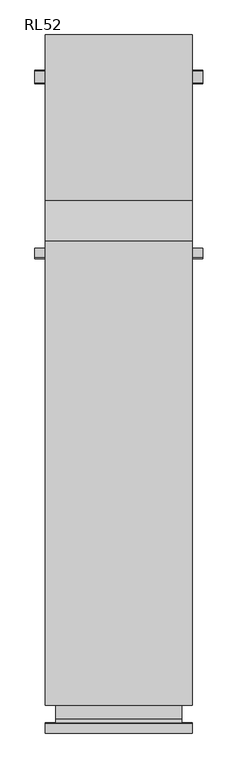
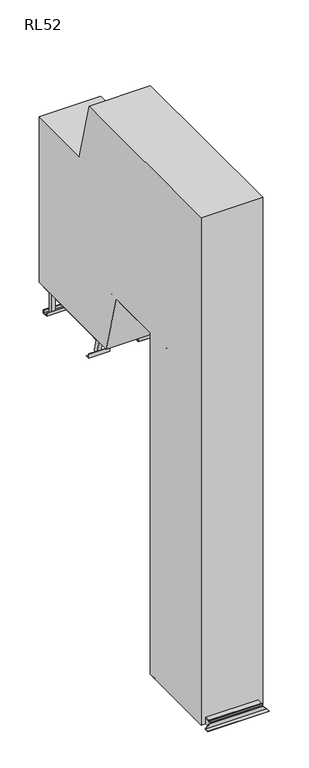
"""IFC4 building model written with IfcOpenShell, lengths in millimetres: proxy geometry, RL52."""

from ifc_helpers import new_model, si_unit, point, frame, frame_2d, origin, origin_with_axes, place, context, project, spatial, polyline, circle_curve, trimmed, segment, composite_curve, outline, extrude, faceted_brep, source, transform, mapped, element, save


def rl52_d2f2689d(model_context):
    return source(origin(), model_context, "Body", "SolidModel", [
        extrude(outline(polyline([(300.5, -890.5), (-300.5, -890.5), (-300.5, 109.5), (300.5, 109.5), (300.5, -890.5)]), holes=[polyline([(262.5, 71.5), (-262.5, 71.5), (-262.5, -371.5), (262.5, -371.5), (262.5, 71.5)]), polyline([(262.5, -852.5), (262.5, -409.5), (-262.5, -409.5), (-262.5, -852.5), (262.5, -852.5)])]), origin_with_axes(), (0.0, 0.0, 1.0), 58.0),
        faceted_brep([(-350.5, 112.5, 3.0), (-350.5, 109.5, 3.0), (-303.5, 109.5, 50.0), (-303.5, 112.5, 50.0), (350.5, 109.5, 3.0), (350.5, 112.5, 3.0), (303.5, 112.5, 50.0), (303.5, 109.5, 50.0), (350.5, 159.5, 0.0), (350.5, 159.5, 3.0), (350.5, 109.5, 0.0), (-350.5, 159.5, 0.0), (-350.5, 109.5, 0.0), (-350.5, 159.5, 3.0)], [[[0, 1, 2, 3]], [[4, 5, 6, 7]], [[8, 9, 5, 4, 10]], [[11, 12, 1, 0, 13]], [[9, 8, 11, 13]], [[5, 9, 13, 0]], [[5, 0, 3, 6]], [[6, 3, 2, 7]], [[12, 10, 4, 7, 2, 1]], [[8, 10, 12, 11]]]),
        faceted_brep([(-350.5, -890.5, 3.0), (-350.5, -893.5, 3.0), (-303.5, -893.5, 50.0), (-303.5, -890.5, 50.0), (350.5, -893.5, 3.0), (350.5, -890.5, 3.0), (303.5, -890.5, 50.0), (303.5, -893.5, 50.0), (350.5, -940.5, 0.0), (350.5, -890.5, 0.0), (350.5, -940.5, 3.0), (-350.5, -940.5, 0.0), (-350.5, -940.5, 3.0), (-350.5, -890.5, 0.0)], [[[0, 1, 2, 3]], [[4, 5, 6, 7]], [[8, 9, 5, 4, 10]], [[11, 12, 1, 0, 13]], [[9, 8, 11, 13]], [[9, 13, 0, 3, 6, 5]], [[6, 3, 2, 7]], [[1, 4, 7, 2]], [[10, 4, 1, 12]], [[8, 10, 12, 11]]]),
        extrude(outline(polyline([(300.5, 91.5), (300.5, -872.5), (-300.5, -872.5), (-300.5, 91.5), (300.5, 91.5)])), frame((0.0, 0.0, 58.0), z_axis=(0.0, 0.0, 1.0), x_axis=(1.0, 0.0, 0.0)), (0.0, 0.0, 1.0), 18.5),
        extrude(outline(polyline([(300.5, -872.5), (300.5, -890.5), (-300.5, -890.5), (-300.5, -872.5), (300.5, -872.5)])), frame((0.0, 0.0, 58.0), z_axis=(0.0, 0.0, 1.0), x_axis=(1.0, 0.0, 0.0)), (0.0, 0.0, 1.0), 18.5),
        extrude(outline(polyline([(300.5, 109.5), (300.5, 91.5), (-300.5, 91.5), (-300.5, 109.5), (300.5, 109.5)])), frame((0.0, 0.0, 58.0), z_axis=(0.0, 0.0, 1.0), x_axis=(1.0, 0.0, 0.0)), (0.0, 0.0, 1.0), 18.5),
        extrude(outline(polyline([(250.0, 1304.8694762), (250.0, 1286.8694762), (-250.0, 1286.8694762), (-250.0, 1304.8694762), (250.0, 1304.8694762)])), frame((0.0, 0.0, 3381.5), z_axis=(0.0, 0.0, 1.0), x_axis=(1.0, 0.0, 0.0)), (0.0, 0.0, 1.0), 18.5),
        extrude(outline(polyline([(300.5, 1491.1194762), (300.5, 1472.6194762), (-300.5, 1472.6194762), (-300.5, 1491.1194762), (300.5, 1491.1194762)])), frame((0.0, 0.0, 3381.5), z_axis=(0.0, 0.0, 1.0), x_axis=(1.0, 0.0, 0.0)), (0.0, 0.0, 1.0), 18.5),
        extrude(outline(polyline([(250.0, 1472.6194762), (250.0, 1304.8694762), (-250.0, 1304.8694762), (-250.0, 1472.6194762), (250.0, 1472.6194762)])), frame((0.0, 0.0, 3381.5), z_axis=(0.0, 0.0, 1.0), x_axis=(1.0, 0.0, 0.0)), (0.0, 0.0, 1.0), 18.5),
        extrude(outline(polyline([(-262.5, 1360.0196058), (-300.5, 1360.0196058), (-300.5, 2391.8694762), (-262.5, 2391.8694762), (-262.5, 1360.0196058)])), frame((0.0, 0.0, 3323.5), z_axis=(0.0, 0.0, 1.0), x_axis=(1.0, 0.0, 0.0)), (0.0, 0.0, 1.0), 58.0),
        extrude(outline(polyline([(300.5, 1360.0196058), (262.5, 1360.0196058), (262.5, 2391.8694762), (300.5, 2391.8694762), (300.5, 1360.0196058)])), frame((0.0, 0.0, 3323.5), z_axis=(0.0, 0.0, 1.0), x_axis=(1.0, 0.0, 0.0)), (0.0, 0.0, 1.0), 58.0),
        extrude(outline(polyline([(338.5, 2220.8694762), (338.5, 2162.8694762), (300.5, 2162.8694762), (300.5, 2220.8694762), (338.5, 2220.8694762)])), frame((0.0, 0.0, 3153.0), z_axis=(0.0, 0.0, 1.0), x_axis=(1.0, 0.0, 0.0)), (0.0, 0.0, 1.0), 240.0),
        extrude(outline(polyline([(-300.5, 2220.8694762), (-300.5, 2162.8694762), (-338.5, 2162.8694762), (-338.5, 2220.8694762), (-300.5, 2220.8694762)])), frame((0.0, 0.0, 3153.0), z_axis=(0.0, 0.0, 1.0), x_axis=(1.0, 0.0, 0.0)), (0.0, 0.0, 1.0), 240.0),
        extrude(outline(polyline([(300.5, 2391.8694762), (300.5, 2373.3694762), (-300.5, 2373.3694762), (-300.5, 2391.8694762), (300.5, 2391.8694762)])), frame((0.0, 0.0, 3381.5), z_axis=(0.0, 0.0, 1.0), x_axis=(1.0, 0.0, 0.0)), (0.0, 0.0, 1.0), 18.5),
        extrude(outline(polyline([(2221.3694762, 3188.0), (2224.3694762, 3188.0), (2224.3694762, 3150.0), (2159.3694762, 3150.0), (2159.3694762, 3188.0), (2162.3694762, 3188.0), (2162.3694762, 3153.0), (2221.3694762, 3153.0), (2221.3694762, 3188.0)])), frame((-400.5, 0.0, 0.0), z_axis=(1.0, 0.0, 0.0), x_axis=(0.0, 1.0, 0.0)), (0.0, 0.0, 1.0), 801.0),
        extrude(outline(polyline([(300.5, 2372.8694762), (300.5, 1491.1194762), (-300.5, 1491.1194762), (-300.5, 2372.8694762), (300.5, 2372.8694762)])), frame((0.0, 0.0, 3381.5), z_axis=(0.0, 0.0, 1.0), x_axis=(1.0, 0.0, 0.0)), (0.0, 0.0, 1.0), 18.5),
        extrude(outline(composite_curve([segment(trimmed(circle_curve(frame_2d((1389.0731956, 3333.5)), 6.0), [point((1395.0731956, 3333.5))], [point((1389.0731956, 3327.5))], False, "CARTESIAN"), True, "CONTINUOUS"), segment(polyline([(1389.0731956, 3327.5), (1340.0196058, 3327.5)]), True, "CONTINUOUS"), segment(trimmed(circle_curve(frame_2d((1340.0196058, 3352.5)), 25.0), [point((1340.0196058, 3327.5))], [point((1340.0196058, 3377.5))], False, "CARTESIAN"), True, "CONTINUOUS"), segment(polyline([(1340.0196058, 3377.5), (1389.0731956, 3377.5)]), True, "CONTINUOUS"), segment(trimmed(circle_curve(frame_2d((1389.0731956, 3371.5)), 6.0), [point((1389.0731956, 3377.5))], [point((1395.0731956, 3371.5))], False, "CARTESIAN"), True, "CONTINUOUS"), segment(polyline([(1395.0731956, 3371.5), (1395.0731956, 3333.5)]), True, "CONTINUOUS")], self_intersect=False)), frame((-306.5, 0.0, 0.0), z_axis=(1.0, 0.0, 0.0), x_axis=(0.0, 1.0, 0.0)), (0.0, 0.0, 1.0), 6.0),
        extrude(outline(composite_curve([segment(trimmed(circle_curve(frame_2d((1389.0731956, 3333.5)), 6.0), [point((1395.0731956, 3333.5))], [point((1389.0731956, 3327.5))], False, "CARTESIAN"), True, "CONTINUOUS"), segment(polyline([(1389.0731956, 3327.5), (1340.0196058, 3327.5)]), True, "CONTINUOUS"), segment(trimmed(circle_curve(frame_2d((1340.0196058, 3352.5)), 25.0), [point((1340.0196058, 3327.5))], [point((1340.0196058, 3377.5))], False, "CARTESIAN"), True, "CONTINUOUS"), segment(polyline([(1340.0196058, 3377.5), (1389.0731956, 3377.5)]), True, "CONTINUOUS"), segment(trimmed(circle_curve(frame_2d((1389.0731956, 3371.5)), 6.0), [point((1389.0731956, 3377.5))], [point((1395.0731956, 3371.5))], False, "CARTESIAN"), True, "CONTINUOUS"), segment(polyline([(1395.0731956, 3371.5), (1395.0731956, 3333.5)]), True, "CONTINUOUS")], self_intersect=False)), frame((300.5, 0.0, 0.0), z_axis=(1.0, 0.0, 0.0), x_axis=(0.0, 1.0, 0.0)), (0.0, 0.0, 1.0), 6.0),
        extrude(outline(polyline([(262.5, 1534.8694762), (262.5, 1476.8694762), (-262.5, 1476.8694762), (-262.5, 1534.8694762), (262.5, 1534.8694762)])), frame((0.0, 0.0, 3343.5), z_axis=(0.0, 0.0, 1.0), x_axis=(1.0, 0.0, 0.0)), (0.0, 0.0, 1.0), 38.0),
        extrude(outline(polyline([(262.5, 1958.8694762), (262.5, 1900.8694762), (-262.5, 1900.8694762), (-262.5, 1958.8694762), (262.5, 1958.8694762)])), frame((0.0, 0.0, 3343.5), z_axis=(0.0, 0.0, 1.0), x_axis=(1.0, 0.0, 0.0)), (0.0, 0.0, 1.0), 38.0),
        extrude(outline(polyline([(262.5, 2381.8694762), (262.5, 2323.8694762), (-262.5, 2323.8694762), (-262.5, 2381.8694762), (262.5, 2381.8694762)])), frame((0.0, 0.0, 3343.5), z_axis=(0.0, 0.0, 1.0), x_axis=(1.0, 0.0, 0.0)), (0.0, 0.0, 1.0), 38.0),
        extrude(outline(composite_curve([segment(polyline([(1212.725111, 3828.6438625), (1169.2584488, 3816.9970054), (1164.8585251, 3833.4177445)]), True, "CONTINUOUS"), segment(trimmed(circle_curve(frame_2d((1189.9490378, 3826.7120005)), 25.9711538), [point((1164.8585251, 3833.4177445))], [point((1208.3251872, 3845.0646015))], False, "CARTESIAN"), True, "CONTINUOUS"), segment(polyline([(1208.3251872, 3845.0646015), (1212.725111, 3828.6438625)]), True, "CONTINUOUS")], self_intersect=False)), frame((-262.5, 0.0, 0.0), z_axis=(1.0, 0.0, 0.0), x_axis=(0.0, 1.0, 0.0)), (0.0, 0.0, 1.0), 525.0),
        extrude(outline(composite_curve([segment(polyline([(1285.9293103, 3555.4420712), (1242.4626482, 3543.7952142), (1238.0627244, 3560.2159532)]), True, "CONTINUOUS"), segment(trimmed(circle_curve(frame_2d((1263.1532371, 3553.5102093)), 25.9711538), [point((1238.0627244, 3560.2159532))], [point((1281.5293866, 3571.8628103))], False, "CARTESIAN"), True, "CONTINUOUS"), segment(polyline([(1281.5293866, 3571.8628103), (1285.9293103, 3555.4420712)]), True, "CONTINUOUS")], self_intersect=False)), frame((-262.5, 0.0, 0.0), z_axis=(1.0, 0.0, 0.0), x_axis=(0.0, 1.0, 0.0)), (0.0, 0.0, 1.0), 525.0),
        extrude(outline(composite_curve([segment(polyline([(1139.5209117, 4101.8456537), (1096.0542495, 4090.1987967), (1091.6543257, 4106.6195357)]), True, "CONTINUOUS"), segment(trimmed(circle_curve(frame_2d((1116.7448385, 4099.9137918)), 25.9711538), [point((1091.6543257, 4106.6195357))], [point((1135.1209879, 4118.2663928))], False, "CARTESIAN"), True, "CONTINUOUS"), segment(polyline([(1135.1209879, 4118.2663928), (1139.5209117, 4101.8456537)]), True, "CONTINUOUS")], self_intersect=False)), frame((-262.5, 0.0, 0.0), z_axis=(1.0, 0.0, 0.0), x_axis=(0.0, 1.0, 0.0)), (0.0, 0.0, 1.0), 525.0),
        extrude(outline(composite_curve([segment(polyline([(1359.1335097, 3282.24028), (1315.6668475, 3270.5934229), (1311.2669237, 3287.014162)]), True, "CONTINUOUS"), segment(trimmed(circle_curve(frame_2d((1336.3574365, 3280.308418)), 25.9711538), [point((1311.2669237, 3287.014162))], [point((1354.7335859, 3298.661019))], False, "CARTESIAN"), True, "CONTINUOUS"), segment(polyline([(1354.7335859, 3298.661019), (1359.1335097, 3282.24028)]), True, "CONTINUOUS")], self_intersect=False)), frame((-262.5, 0.0, 0.0), z_axis=(1.0, 0.0, 0.0), x_axis=(0.0, 1.0, 0.0)), (0.0, 0.0, 1.0), 525.0),
        extrude(outline(polyline([(-38.0, 0.0), (0.0, 0.0), (0.0, -58.0000001), (-38.0, -58.0000001), (-38.0, 0.0)])), frame((-262.5, 1396.470313, 3168.0115046), z_axis=(0.0, -0.258819045102523, 0.9659258262890678), x_axis=(1.0, 0.0, 0.0)), (0.0, 0.0, 1.0), 2048.5179208),
        extrude(outline(polyline([(-38.0, 0.0), (0.0, 0.0), (0.0, -58.0000001), (-38.0, -58.0000001), (-38.0, 0.0)])), frame((300.5, 1396.470313, 3168.0115046), z_axis=(0.0, -0.258819045102523, 0.9659258262890678), x_axis=(1.0, 0.0, 0.0)), (0.0, 0.0, 1.0), 2048.5179208),
        extrude(outline(composite_curve([segment(polyline([(1044.4694194, 4058.8687928), (1044.4694194, 4096.8687928)]), True, "CONTINUOUS"), segment(trimmed(circle_curve(frame_2d((1050.4694194, 4096.8687928)), 6.0), [point((1044.4694194, 4096.8687928))], [point((1050.4694194, 4102.8687928))], False, "CARTESIAN"), True, "CONTINUOUS"), segment(polyline([(1050.4694194, 4102.8687928), (1099.5230092, 4102.8687928)]), True, "CONTINUOUS"), segment(trimmed(circle_curve(frame_2d((1099.5230092, 4077.8687928)), 25.0), [point((1099.5230092, 4102.8687928))], [point((1099.5230092, 4052.8687928))], False, "CARTESIAN"), True, "CONTINUOUS"), segment(polyline([(1099.5230092, 4052.8687928), (1050.4694194, 4052.8687928)]), True, "CONTINUOUS"), segment(trimmed(circle_curve(frame_2d((1050.4694194, 4058.8687928)), 6.0), [point((1050.4694194, 4052.8687928))], [point((1044.4694194, 4058.8687928))], False, "CARTESIAN"), True, "CONTINUOUS")], self_intersect=False)), frame((-306.0, 0.0, 0.0), z_axis=(1.0, 0.0, 0.0), x_axis=(0.0, 1.0, 0.0)), (0.0, 0.0, 1.0), 6.0),
        extrude(outline(composite_curve([segment(trimmed(circle_curve(frame_2d((1050.4694194, 4096.8687928)), 6.0), [point((1044.4694194, 4096.8687928))], [point((1050.4694194, 4102.8687928))], False, "CARTESIAN"), True, "CONTINUOUS"), segment(polyline([(1050.4694194, 4102.8687928), (1099.5230092, 4102.8687928)]), True, "CONTINUOUS"), segment(trimmed(circle_curve(frame_2d((1099.5230092, 4077.8687928)), 25.0), [point((1099.5230092, 4102.8687928))], [point((1099.5230092, 4052.8687928))], False, "CARTESIAN"), True, "CONTINUOUS"), segment(polyline([(1099.5230092, 4052.8687928), (1050.4694194, 4052.8687928)]), True, "CONTINUOUS"), segment(trimmed(circle_curve(frame_2d((1050.4694194, 4058.8687928)), 6.0), [point((1050.4694194, 4052.8687928))], [point((1044.4694194, 4058.8687928))], False, "CARTESIAN"), True, "CONTINUOUS"), segment(polyline([(1044.4694194, 4058.8687928), (1044.4694194, 4096.8687928)]), True, "CONTINUOUS")], self_intersect=False)), frame((300.0, 0.0, 0.0), z_axis=(1.0, 0.0, 0.0), x_axis=(0.0, 1.0, 0.0)), (0.0, 0.0, 1.0), 6.0),
        extrude(outline(composite_curve([segment(trimmed(circle_curve(frame_2d((-20.0, 4077.8687928)), 25.0), [point((-20.0, 4052.8687928))], [point((-20.0, 4102.8687928))], False, "CARTESIAN"), True, "CONTINUOUS"), segment(polyline([(-20.0, 4102.8687928), (29.0535898, 4102.8687928)]), True, "CONTINUOUS"), segment(trimmed(circle_curve(frame_2d((29.0535898, 4096.8687928)), 6.0), [point((29.0535898, 4102.8687928))], [point((35.0535898, 4096.8687928))], False, "CARTESIAN"), True, "CONTINUOUS"), segment(polyline([(35.0535898, 4096.8687928), (35.0535898, 4058.8687928)]), True, "CONTINUOUS"), segment(trimmed(circle_curve(frame_2d((29.0535898, 4058.8687928)), 6.0), [point((35.0535898, 4058.8687928))], [point((29.0535898, 4052.8687928))], False, "CARTESIAN"), True, "CONTINUOUS"), segment(polyline([(29.0535898, 4052.8687928), (-20.0, 4052.8687928)]), True, "CONTINUOUS")], self_intersect=False)), frame((-306.0, 0.0, 0.0), z_axis=(1.0, 0.0, 0.0), x_axis=(0.0, 1.0, 0.0)), (0.0, 0.0, 1.0), 6.0),
        extrude(outline(composite_curve([segment(trimmed(circle_curve(frame_2d((-20.0, 4077.8687928)), 25.0), [point((-20.0, 4052.8687928))], [point((-20.0, 4102.8687928))], False, "CARTESIAN"), True, "CONTINUOUS"), segment(polyline([(-20.0, 4102.8687928), (29.0535898, 4102.8687928)]), True, "CONTINUOUS"), segment(trimmed(circle_curve(frame_2d((29.0535898, 4096.8687928)), 6.0), [point((29.0535898, 4102.8687928))], [point((35.0535898, 4096.8687928))], False, "CARTESIAN"), True, "CONTINUOUS"), segment(polyline([(35.0535898, 4096.8687928), (35.0535898, 4058.8687928)]), True, "CONTINUOUS"), segment(trimmed(circle_curve(frame_2d((29.0535898, 4058.8687928)), 6.0), [point((35.0535898, 4058.8687928))], [point((29.0535898, 4052.8687928))], False, "CARTESIAN"), True, "CONTINUOUS"), segment(polyline([(29.0535898, 4052.8687928), (-20.0, 4052.8687928)]), True, "CONTINUOUS")], self_intersect=False)), frame((300.0, 0.0, 0.0), z_axis=(1.0, 0.0, 0.0), x_axis=(0.0, 1.0, 0.0)), (0.0, 0.0, 1.0), 6.0),
        extrude(outline(polyline([(-300.0, 30.0), (-300.0, 48.4), (300.0, 48.4), (300.0, 30.0), (-300.0, 30.0)])), frame((0.0, 0.0, 4106.5), z_axis=(0.0, 0.0, 1.0), x_axis=(1.0, 0.0, 0.0)), (0.0, 0.0, 1.0), 18.5),
        extrude(outline(polyline([(-300.0, 986.1290032), (-300.0, 1004.5290032), (300.0, 1004.5290032), (300.0, 986.1290032), (-300.0, 986.1290032)])), frame((0.0, 0.0, 4106.5), z_axis=(0.0, 0.0, 1.0), x_axis=(1.0, 0.0, 0.0)), (0.0, 0.0, 1.0), 18.5),
        extrude(outline(polyline([(1374.853003, 3153.0), (1374.853003, 3150.0), (1324.853003, 3150.0), (1324.853003, 3200.0), (1327.853003, 3200.0), (1327.853003, 3153.0), (1374.853003, 3153.0)])), frame((-400.5, 0.0, 0.0), z_axis=(1.0, 0.0, 0.0), x_axis=(0.0, 1.0, 0.0)), (0.0, 0.0, 1.0), 238.0),
        extrude(outline(polyline([(1374.853003, 3153.0), (1374.853003, 3150.0), (1324.853003, 3150.0), (1324.853003, 3200.0), (1327.853003, 3200.0), (1327.853003, 3153.0), (1374.853003, 3153.0)])), frame((162.5, 0.0, 0.0), z_axis=(1.0, 0.0, 0.0), x_axis=(0.0, 1.0, 0.0)), (0.0, 0.0, 1.0), 238.0),
        extrude(outline(polyline([(300.0, 0.0), (262.0, 0.0), (262.0, 947.9025997), (300.0, 947.9025997), (300.0, 0.0)])), frame((0.0, 0.0, 4560.9942094), z_axis=(0.0, 0.0, 1.0), x_axis=(1.0, 0.0, 0.0)), (0.0, 0.0, 1.0), 57.0),
        extrude(outline(polyline([(300.0, 0.0), (262.0, 0.0), (262.0, 812.0508076), (300.0, 812.0508076), (300.0, 0.0)])), frame((0.0, 0.0, 5068.0), z_axis=(0.0, 0.0, 1.0), x_axis=(1.0, 0.0, 0.0)), (0.0, 0.0, 1.0), 57.0),
        extrude(outline(polyline([(-262.0, 0.0), (-300.0, 0.0), (-300.0, 812.0508076), (-262.0, 812.0508076), (-262.0, 0.0)])), frame((0.0, 0.0, 5068.0), z_axis=(0.0, 0.0, 1.0), x_axis=(1.0, 0.0, 0.0)), (0.0, 0.0, 1.0), 57.0),
        extrude(outline(polyline([(-262.0, 0.0), (-300.0, 0.0), (-300.0, 947.9025997), (-262.0, 947.9025997), (-262.0, 0.0)])), frame((0.0, 0.0, 4560.9942094), z_axis=(0.0, 0.0, 1.0), x_axis=(1.0, 0.0, 0.0)), (0.0, 0.0, 1.0), 57.0),
        extrude(outline(polyline([(-300.0, 986.1290032), (300.0, 986.1290032), (300.0, 48.4), (-300.0, 48.4), (-300.0, 986.1290032)])), frame((0.0, 0.0, 4106.5), z_axis=(0.0, 0.0, 1.0), x_axis=(1.0, 0.0, 0.0)), (0.0, 0.0, 1.0), 18.5),
        extrude(outline(polyline([(262.0, 1079.5230092), (300.0, 1079.5230092), (300.0, 0.0), (-300.0, 0.0), (-300.0, 1079.5230092), (-262.0, 1079.5230092), (-262.0, 38.0), (262.0, 38.0), (262.0, 1079.5230092)])), frame((0.0, 0.0, 4049.2375855), z_axis=(0.0, 0.0, 1.0), x_axis=(1.0, 0.0, 0.0)), (0.0, 0.0, 1.0), 57.2624145),
        extrude(outline(polyline([(-262.0, 933.7615046), (-262.0, 991.7615046), (262.0, 991.7615046), (262.0, 933.7615046), (-262.0, 933.7615046)])), frame((0.0, 0.0, 4068.5), z_axis=(0.0, 0.0, 1.0), x_axis=(1.0, 0.0, 0.0)), (0.0, 0.0, 1.0), 38.0),
        extrude(outline(polyline([(-262.0, 510.7615046), (-262.0, 568.7615046), (262.0, 568.7615046), (262.0, 510.7615046), (-262.0, 510.7615046)])), frame((0.0, 0.0, 4068.5), z_axis=(0.0, 0.0, 1.0), x_axis=(1.0, 0.0, 0.0)), (0.0, 0.0, 1.0), 38.0),
        extrude(outline(polyline([(0.0, 2405.0), (0.0, 2347.0), (-5.0, 2347.0), (-5.0, 2400.0), (-91.0, 2400.0), (-91.0, 2405.0), (0.0, 2405.0)])), frame((-262.5, 0.0, 0.0), z_axis=(1.0, 0.0, 0.0), x_axis=(0.0, 1.0, 0.0)), (0.0, 0.0, 1.0), 525.0),
        extrude(outline(polyline([(262.5, -93.0), (-262.5, -93.0), (-262.5, -91.0), (262.5, -91.0), (262.5, -93.0)])), frame((0.0, 0.0, 110.0), z_axis=(0.0, 0.0, 1.0), x_axis=(1.0, 0.0, 0.0)), (0.0, 0.0, 1.0), 2295.0),
        extrude(outline(polyline([(262.5, -91.0), (204.5, -91.0), (204.5, -53.0), (262.5, -53.0), (262.5, -91.0)])), frame((0.0, 0.0, 110.0), z_axis=(0.0, 0.0, 1.0), x_axis=(1.0, 0.0, 0.0)), (0.0, 0.0, 1.0), 2285.0),
        extrude(outline(polyline([(-204.5, -91.0), (-262.5, -91.0), (-262.5, -53.0), (-204.5, -53.0), (-204.5, -91.0)])), frame((0.0, 0.0, 110.0), z_axis=(0.0, 0.0, 1.0), x_axis=(1.0, 0.0, 0.0)), (0.0, 0.0, 1.0), 2285.0),
        extrude(outline(composite_curve([segment(polyline([(-53.0, 3795.3461538), (-53.0, 3812.3461538)]), True, "CONTINUOUS"), segment(trimmed(circle_curve(frame_2d((-30.5, 3799.375)), 25.9711538), [point((-53.0, 3812.3461538))], [point((-8.0, 3812.3461538))], False, "CARTESIAN"), True, "CONTINUOUS"), segment(polyline([(-8.0, 3812.3461538), (-8.0, 3795.3461538), (-53.0, 3795.3461538)]), True, "CONTINUOUS")], self_intersect=False)), frame((-262.0, 0.0, 0.0), z_axis=(1.0, 0.0, 0.0), x_axis=(0.0, 1.0, 0.0)), (0.0, 0.0, 1.0), 524.0),
        extrude(outline(composite_curve([segment(polyline([(-53.0, 3495.6923077), (-53.0, 3512.6923077)]), True, "CONTINUOUS"), segment(trimmed(circle_curve(frame_2d((-30.5, 3499.7211538)), 25.9711538), [point((-53.0, 3512.6923077))], [point((-8.0, 3512.6923077))], False, "CARTESIAN"), True, "CONTINUOUS"), segment(polyline([(-8.0, 3512.6923077), (-8.0, 3495.6923077), (-53.0, 3495.6923077)]), True, "CONTINUOUS")], self_intersect=False)), frame((-262.0, 0.0, 0.0), z_axis=(1.0, 0.0, 0.0), x_axis=(0.0, 1.0, 0.0)), (0.0, 0.0, 1.0), 524.0),
        extrude(outline(composite_curve([segment(polyline([(-53.0, 3196.0384615), (-53.0, 3213.0384615)]), True, "CONTINUOUS"), segment(trimmed(circle_curve(frame_2d((-30.5, 3200.0673077)), 25.9711538), [point((-53.0, 3213.0384615))], [point((-8.0, 3213.0384615))], False, "CARTESIAN"), True, "CONTINUOUS"), segment(polyline([(-8.0, 3213.0384615), (-8.0, 3196.0384615), (-53.0, 3196.0384615)]), True, "CONTINUOUS")], self_intersect=False)), frame((-262.0, 0.0, 0.0), z_axis=(1.0, 0.0, 0.0), x_axis=(0.0, 1.0, 0.0)), (0.0, 0.0, 1.0), 524.0),
        extrude(outline(composite_curve([segment(polyline([(-53.0, 2896.3846154), (-53.0, 2913.3846154)]), True, "CONTINUOUS"), segment(trimmed(circle_curve(frame_2d((-30.5, 2900.4134615)), 25.9711538), [point((-53.0, 2913.3846154))], [point((-8.0, 2913.3846154))], False, "CARTESIAN"), True, "CONTINUOUS"), segment(polyline([(-8.0, 2913.3846154), (-8.0, 2896.3846154), (-53.0, 2896.3846154)]), True, "CONTINUOUS")], self_intersect=False)), frame((-262.0, 0.0, 0.0), z_axis=(1.0, 0.0, 0.0), x_axis=(0.0, 1.0, 0.0)), (0.0, 0.0, 1.0), 524.0),
        extrude(outline(composite_curve([segment(polyline([(-53.0, 2596.7307692), (-53.0, 2613.7307692)]), True, "CONTINUOUS"), segment(trimmed(circle_curve(frame_2d((-30.5, 2600.7596154)), 25.9711538), [point((-53.0, 2613.7307692))], [point((-8.0, 2613.7307692))], False, "CARTESIAN"), True, "CONTINUOUS"), segment(polyline([(-8.0, 2613.7307692), (-8.0, 2596.7307692), (-53.0, 2596.7307692)]), True, "CONTINUOUS")], self_intersect=False)), frame((-262.0, 0.0, 0.0), z_axis=(1.0, 0.0, 0.0), x_axis=(0.0, 1.0, 0.0)), (0.0, 0.0, 1.0), 524.0),
        extrude(outline(composite_curve([segment(polyline([(-53.0, 2297.0769231), (-53.0, 2314.0769231)]), True, "CONTINUOUS"), segment(trimmed(circle_curve(frame_2d((-30.5, 2301.1057692)), 25.9711538), [point((-53.0, 2314.0769231))], [point((-8.0, 2314.0769231))], False, "CARTESIAN"), True, "CONTINUOUS"), segment(polyline([(-8.0, 2314.0769231), (-8.0, 2297.0769231), (-53.0, 2297.0769231)]), True, "CONTINUOUS")], self_intersect=False)), frame((-262.0, 0.0, 0.0), z_axis=(1.0, 0.0, 0.0), x_axis=(0.0, 1.0, 0.0)), (0.0, 0.0, 1.0), 524.0),
        extrude(outline(composite_curve([segment(polyline([(-53.0, 1997.4230769), (-53.0, 2014.4230769)]), True, "CONTINUOUS"), segment(trimmed(circle_curve(frame_2d((-30.5, 2001.4519231)), 25.9711538), [point((-53.0, 2014.4230769))], [point((-8.0, 2014.4230769))], False, "CARTESIAN"), True, "CONTINUOUS"), segment(polyline([(-8.0, 2014.4230769), (-8.0, 1997.4230769), (-53.0, 1997.4230769)]), True, "CONTINUOUS")], self_intersect=False)), frame((-262.0, 0.0, 0.0), z_axis=(1.0, 0.0, 0.0), x_axis=(0.0, 1.0, 0.0)), (0.0, 0.0, 1.0), 524.0),
        extrude(outline(composite_curve([segment(polyline([(-53.0, 1697.7692308), (-53.0, 1714.7692308)]), True, "CONTINUOUS"), segment(trimmed(circle_curve(frame_2d((-30.5, 1701.7980769)), 25.9711538), [point((-53.0, 1714.7692308))], [point((-8.0, 1714.7692308))], False, "CARTESIAN"), True, "CONTINUOUS"), segment(polyline([(-8.0, 1714.7692308), (-8.0, 1697.7692308), (-53.0, 1697.7692308)]), True, "CONTINUOUS")], self_intersect=False)), frame((-262.0, 0.0, 0.0), z_axis=(1.0, 0.0, 0.0), x_axis=(0.0, 1.0, 0.0)), (0.0, 0.0, 1.0), 524.0),
        extrude(outline(composite_curve([segment(polyline([(-53.0, 1398.1153846), (-53.0, 1415.1153846)]), True, "CONTINUOUS"), segment(trimmed(circle_curve(frame_2d((-30.5, 1402.1442308)), 25.9711538), [point((-53.0, 1415.1153846))], [point((-8.0, 1415.1153846))], False, "CARTESIAN"), True, "CONTINUOUS"), segment(polyline([(-8.0, 1415.1153846), (-8.0, 1398.1153846), (-53.0, 1398.1153846)]), True, "CONTINUOUS")], self_intersect=False)), frame((-262.0, 0.0, 0.0), z_axis=(1.0, 0.0, 0.0), x_axis=(0.0, 1.0, 0.0)), (0.0, 0.0, 1.0), 524.0),
        extrude(outline(composite_curve([segment(polyline([(-53.0, 1098.4615385), (-53.0, 1115.4615385)]), True, "CONTINUOUS"), segment(trimmed(circle_curve(frame_2d((-30.5, 1102.4903846)), 25.9711538), [point((-53.0, 1115.4615385))], [point((-8.0, 1115.4615385))], False, "CARTESIAN"), True, "CONTINUOUS"), segment(polyline([(-8.0, 1115.4615385), (-8.0, 1098.4615385), (-53.0, 1098.4615385)]), True, "CONTINUOUS")], self_intersect=False)), frame((-262.0, 0.0, 0.0), z_axis=(1.0, 0.0, 0.0), x_axis=(0.0, 1.0, 0.0)), (0.0, 0.0, 1.0), 524.0),
        extrude(outline(composite_curve([segment(polyline([(-53.0, 798.8076923), (-53.0, 815.8076923)]), True, "CONTINUOUS"), segment(trimmed(circle_curve(frame_2d((-30.5, 802.8365385)), 25.9711538), [point((-53.0, 815.8076923))], [point((-8.0, 815.8076923))], False, "CARTESIAN"), True, "CONTINUOUS"), segment(polyline([(-8.0, 815.8076923), (-8.0, 798.8076923), (-53.0, 798.8076923)]), True, "CONTINUOUS")], self_intersect=False)), frame((-262.0, 0.0, 0.0), z_axis=(1.0, 0.0, 0.0), x_axis=(0.0, 1.0, 0.0)), (0.0, 0.0, 1.0), 524.0),
        extrude(outline(composite_curve([segment(polyline([(-53.0, 499.1538462), (-53.0, 516.1538462)]), True, "CONTINUOUS"), segment(trimmed(circle_curve(frame_2d((-30.5, 503.1826923)), 25.9711538), [point((-53.0, 516.1538462))], [point((-8.0, 516.1538462))], False, "CARTESIAN"), True, "CONTINUOUS"), segment(polyline([(-8.0, 516.1538462), (-8.0, 499.1538462), (-53.0, 499.1538462)]), True, "CONTINUOUS")], self_intersect=False)), frame((-262.0, 0.0, 0.0), z_axis=(1.0, 0.0, 0.0), x_axis=(0.0, 1.0, 0.0)), (0.0, 0.0, 1.0), 524.0),
        extrude(outline(composite_curve([segment(polyline([(-53.0, 4095.0), (-53.0, 4112.0)]), True, "CONTINUOUS"), segment(trimmed(circle_curve(frame_2d((-30.5, 4099.0288462)), 25.9711538), [point((-53.0, 4112.0))], [point((-8.0, 4112.0))], False, "CARTESIAN"), True, "CONTINUOUS"), segment(polyline([(-8.0, 4112.0), (-8.0, 4095.0), (-53.0, 4095.0)]), True, "CONTINUOUS")], self_intersect=False)), frame((-262.0, 0.0, 0.0), z_axis=(1.0, 0.0, 0.0), x_axis=(0.0, 1.0, 0.0)), (0.0, 0.0, 1.0), 524.0),
        extrude(outline(composite_curve([segment(polyline([(-53.0, 199.5), (-53.0, 216.5)]), True, "CONTINUOUS"), segment(trimmed(circle_curve(frame_2d((-30.5, 203.5288462)), 25.9711538), [point((-53.0, 216.5))], [point((-8.0, 216.5))], False, "CARTESIAN"), True, "CONTINUOUS"), segment(polyline([(-8.0, 216.5), (-8.0, 199.5), (-53.0, 199.5)]), True, "CONTINUOUS")], self_intersect=False)), frame((-262.0, 0.0, 0.0), z_axis=(1.0, 0.0, 0.0), x_axis=(0.0, 1.0, 0.0)), (0.0, 0.0, 1.0), 524.0),
        extrude(outline(composite_curve([segment(trimmed(circle_curve(frame_2d((303.0, -194.5)), 4.0), [point((307.0, -194.5))], [point((299.0, -194.5))], False, "CARTESIAN"), True, "CONTINUOUS"), segment(trimmed(circle_curve(frame_2d((303.0, -194.5)), 4.0), [point((299.0, -194.5))], [point((307.0, -194.5))], False, "CARTESIAN"), True, "CONTINUOUS")], self_intersect=False)), frame((0.0, 0.0, 224.5), z_axis=(0.0, 0.0, 1.0), x_axis=(1.0, 0.0, 0.0)), (0.0, 0.0, 1.0), 4880.5),
        extrude(outline(polyline([(-219.5, 244.5), (-199.5, 264.5), (-59.5, 264.5), (-59.5, 184.5), (-199.5, 184.5), (-219.5, 204.5), (-219.5, 244.5)])), frame((303.0, 0.0, 0.0), z_axis=(1.0, 0.0, 0.0), x_axis=(0.0, 1.0, 0.0)), (0.0, 0.0, 1.0), 6.0),
        extrude(outline(polyline([(-219.5, 5125.0), (-199.5, 5145.0), (-59.5, 5145.0), (-59.5, 5065.0), (-199.5, 5065.0), (-219.5, 5085.0), (-219.5, 5125.0)])), frame((303.0, 0.0, 0.0), z_axis=(1.0, 0.0, 0.0), x_axis=(0.0, 1.0, 0.0)), (0.0, 0.0, 1.0), 6.0),
        extrude(outline(polyline([(300.0, -59.5), (262.0, -59.5), (262.0, -1.5), (300.0, -1.5), (300.0, -59.5)])), frame((0.0, 0.0, 79.5), z_axis=(0.0, 0.0, 1.0), x_axis=(1.0, 0.0, 0.0)), (0.0, 0.0, 1.0), 5095.5),
        extrude(outline(polyline([(-262.0, -59.5), (-300.0, -59.5), (-300.0, -1.5), (-262.0, -1.5), (-262.0, -59.5)])), frame((0.0, 0.0, 79.5), z_axis=(0.0, 0.0, 1.0), x_axis=(1.0, 0.0, 0.0)), (0.0, 0.0, 1.0), 5095.5),
        faceted_brep([(-303.5, -250.5, 76.5), (-250.5, -250.5, 76.5), (-250.5, -250.5, 79.5), (-300.5, -250.5, 79.5), (-303.5, -250.5, 79.5), (-300.5, 109.5, 79.5), (-250.5, 109.5, 79.5), (-250.5, 109.5, 76.5), (-303.5, 109.5, 76.5), (-303.5, 109.5, 79.5), (-300.5, -203.5, 126.5), (-300.5, 62.5, 126.5), (-303.5, 62.5, 126.5), (-303.5, -203.5, 126.5)], [[[0, 1, 2, 3, 4]], [[5, 6, 7, 8, 9]], [[10, 11, 12, 13]], [[8, 0, 4, 13, 12, 9]], [[1, 0, 8, 7]], [[2, 1, 7, 6]], [[3, 2, 6, 5]], [[3, 5, 11, 10]], [[5, 9, 12, 11]], [[4, 3, 10, 13]]]),
        faceted_brep([(300.5, -250.5, 79.5), (250.5, -250.5, 79.5), (250.5, -250.5, 76.5), (303.5, -250.5, 76.5), (303.5, -250.5, 79.5), (303.5, 109.5, 76.5), (250.5, 109.5, 76.5), (250.5, 109.5, 79.5), (300.5, 109.5, 79.5), (303.5, 109.5, 79.5), (303.5, 62.5, 126.5), (303.5, -203.5, 126.5), (300.5, 62.5, 126.5), (300.5, -203.5, 126.5)], [[[0, 1, 2, 3, 4]], [[5, 6, 7, 8, 9]], [[1, 0, 8, 7]], [[2, 1, 7, 6]], [[3, 2, 6, 5]], [[3, 5, 9, 10, 11, 4]], [[11, 10, 12, 13]], [[8, 0, 13, 12]], [[9, 8, 12, 10]], [[0, 4, 11, 13]]]),
        extrude(outline(polyline([(200.0, 4125.0), (200.0, 0.0), (-809.5, 0.0), (-809.5, 6125.0), (1406.6047689, 6125.0), (1600.8679334, 5400.0), (2392.1542732, 5400.0), (2392.1542732, 3400.0), (1067.2079284, 3400.0), (872.9447639, 4125.0), (200.0, 4125.0)])), frame((-350.0, 0.0, 0.0), z_axis=(1.0, 0.0, 0.0), x_axis=(0.0, 1.0, 0.0)), (0.0, 0.0, 1.0), 700.0),
        extrude(outline(polyline([(306.5, 200.0), (306.5, -30.5), (300.5, -30.5), (300.5, 195.0), (-300.5, 195.0), (-300.5, -30.5), (-306.5, -30.5), (-306.5, 200.0), (306.5, 200.0)])), frame((0.0, 0.0, 3485.0), z_axis=(0.0, 0.0, 1.0), x_axis=(1.0, 0.0, 0.0)), (0.0, 0.0, 1.0), 80.0),
        extrude(outline(polyline([(306.5, 200.0), (306.5, -30.5), (300.5, -30.5), (300.5, 195.0), (-300.5, 195.0), (-300.5, -30.5), (-306.5, -30.5), (-306.5, 200.0), (306.5, 200.0)])), frame((0.0, 0.0, 1722.5), z_axis=(0.0, 0.0, 1.0), x_axis=(1.0, 0.0, 0.0)), (0.0, 0.0, 1.0), 80.0),
    ])


if __name__ == "__main__":
    model = new_model("IFC4")
    model_context = context("Model", 3, world=origin())
    ifc_project = project(units=[si_unit("LENGTHUNIT", "METRE", prefix="MILLI")], contexts=[model_context])
    site = spatial("IfcSite", under=ifc_project)
    building = spatial("IfcBuilding", under=site)
    placement = place(None, origin())
    rl52_shape = rl52_d2f2689d(model_context)
    element("IfcBuildingElementProxy", 1, Name="RL52", ObjectType="RL52", at=placement, inside=building, context=model_context, shape_type="MappedRepresentation", body=[
        mapped(rl52_shape, transform((0.0, 0.0, 0.0), x_axis=(1.0, 0.0, 0.0), y_axis=(0.0, 1.0, 0.0), z_axis=(0.0, 0.0, 1.0))),
    ])
    save(model, "model.ifc")
